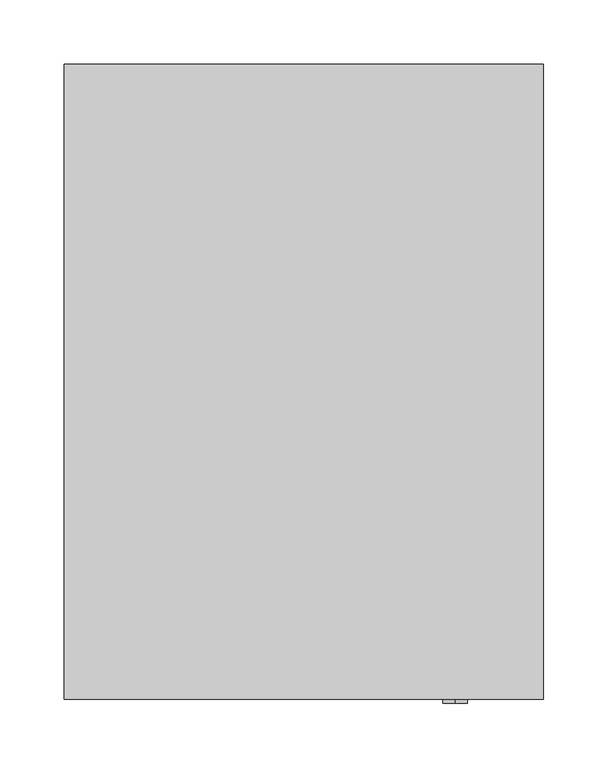
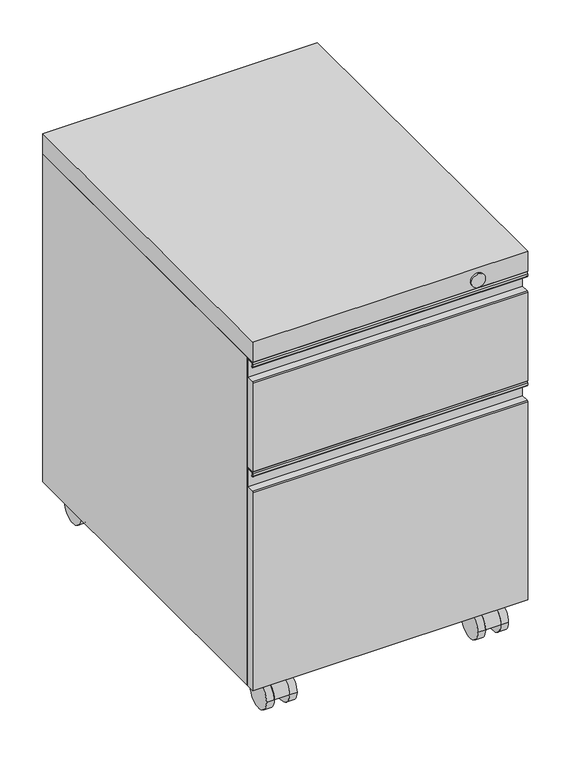
"""IFC4 building model written with IfcOpenShell, lengths in millimetres: furniture geometry."""

from ifc_helpers import new_model, si_unit, point, frame, frame_2d, origin, place, context, project, spatial, polyline, circle_curve, trimmed, segment, composite_curve, outline, extrude, source, transform, mapped, element, save
from ifc_brep_helpers import plane_surface, cylinder_surface, advanced_brep


def furniture_11472d89(model_context):
    return source(origin(), model_context, "Body", "SolidModel", [
        extrude(outline(composite_curve([segment(trimmed(circle_curve(frame_2d((-220.6625363, 19.05)), 19.05), [point((-239.7125363, 19.05))], [point((-201.6125363, 19.05))], False, "CARTESIAN"), True, "CONTINUOUS"), segment(polyline([(-201.6125363, 19.05), (-239.7125363, 19.05)]), True, "CONTINUOUS")], self_intersect=False)), frame((132.5562508, 0.0, 0.0), z_axis=(1.0, 0.0, 0.0), x_axis=(0.0, 1.0, 0.0)), (0.0, 0.0, 1.0), 20.6375008),
        extrude(outline(composite_curve([segment(trimmed(circle_curve(frame_2d((142.875, -207.9625303)), 10.3187561), [point((132.5562439, -207.9625303))], [point((153.1937561, -207.9625303))], False, "CARTESIAN"), True, "CONTINUOUS"), segment(trimmed(circle_curve(frame_2d((142.875, -207.9625303)), 10.3187561), [point((153.1937561, -207.9625303))], [point((132.5562439, -207.9625303))], False, "CARTESIAN"), True, "CONTINUOUS")], self_intersect=False)), frame((0.0, 0.0, 19.05), z_axis=(0.0, 0.0, 1.0), x_axis=(1.0, 0.0, 0.0)), (0.0, 0.0, 1.0), 28.575),
        extrude(outline(composite_curve([segment(trimmed(circle_curve(frame_2d((-220.6625363, 19.05)), 19.05), [point((-201.6125363, 19.05))], [point((-239.7125363, 19.05))], False, "CARTESIAN"), True, "CONTINUOUS"), segment(trimmed(circle_curve(frame_2d((-220.6625363, 19.05)), 19.05), [point((-239.7125363, 19.05))], [point((-201.6125363, 19.05))], False, "CARTESIAN"), True, "CONTINUOUS")], self_intersect=False)), frame((153.1937515, 0.0, 0.0), z_axis=(1.0, 0.0, 0.0), x_axis=(0.0, 1.0, 0.0)), (0.0, 0.0, 1.0), 10.318747),
        extrude(outline(composite_curve([segment(trimmed(circle_curve(frame_2d((-220.6625363, 19.05)), 19.05), [point((-201.6125363, 19.05))], [point((-239.7125363, 19.05))], False, "CARTESIAN"), True, "CONTINUOUS"), segment(trimmed(circle_curve(frame_2d((-220.6625363, 19.05)), 19.05), [point((-239.7125363, 19.05))], [point((-201.6125363, 19.05))], False, "CARTESIAN"), True, "CONTINUOUS")], self_intersect=False)), frame((122.2375, 0.0, 0.0), z_axis=(1.0, 0.0, 0.0), x_axis=(0.0, 1.0, 0.0)), (0.0, 0.0, 1.0), 10.3187508),
        extrude(outline(composite_curve([segment(trimmed(circle_curve(frame_2d((-220.6625363, 19.05)), 19.05), [point((-239.7125363, 19.05))], [point((-201.6125363, 19.05))], False, "CARTESIAN"), True, "CONTINUOUS"), segment(polyline([(-201.6125363, 19.05), (-239.7125363, 19.05)]), True, "CONTINUOUS")], self_intersect=False)), frame((-153.1937492, 0.0, 0.0), z_axis=(1.0, 0.0, 0.0), x_axis=(0.0, 1.0, 0.0)), (0.0, 0.0, 1.0), 20.6375008),
        extrude(outline(composite_curve([segment(trimmed(circle_curve(frame_2d((-142.875, -207.9625303)), 10.3187561), [point((-153.1937561, -207.9625303))], [point((-132.5562439, -207.9625303))], False, "CARTESIAN"), True, "CONTINUOUS"), segment(trimmed(circle_curve(frame_2d((-142.875, -207.9625303)), 10.3187561), [point((-132.5562439, -207.9625303))], [point((-153.1937561, -207.9625303))], False, "CARTESIAN"), True, "CONTINUOUS")], self_intersect=False)), frame((0.0, 0.0, 19.05), z_axis=(0.0, 0.0, 1.0), x_axis=(1.0, 0.0, 0.0)), (0.0, 0.0, 1.0), 28.575),
        extrude(outline(composite_curve([segment(trimmed(circle_curve(frame_2d((-220.6625363, 19.05)), 19.05), [point((-201.6125363, 19.05))], [point((-239.7125363, 19.05))], False, "CARTESIAN"), True, "CONTINUOUS"), segment(trimmed(circle_curve(frame_2d((-220.6625363, 19.05)), 19.05), [point((-239.7125363, 19.05))], [point((-201.6125363, 19.05))], False, "CARTESIAN"), True, "CONTINUOUS")], self_intersect=False)), frame((-132.5562485, 0.0, 0.0), z_axis=(1.0, 0.0, 0.0), x_axis=(0.0, 1.0, 0.0)), (0.0, 0.0, 1.0), 10.318747),
        extrude(outline(composite_curve([segment(trimmed(circle_curve(frame_2d((-220.6625363, 19.05)), 19.05), [point((-201.6125363, 19.05))], [point((-239.7125363, 19.05))], False, "CARTESIAN"), True, "CONTINUOUS"), segment(trimmed(circle_curve(frame_2d((-220.6625363, 19.05)), 19.05), [point((-239.7125363, 19.05))], [point((-201.6125363, 19.05))], False, "CARTESIAN"), True, "CONTINUOUS")], self_intersect=False)), frame((-163.5125, 0.0, 0.0), z_axis=(1.0, 0.0, 0.0), x_axis=(0.0, 1.0, 0.0)), (0.0, 0.0, 1.0), 10.3187508),
        extrude(outline(composite_curve([segment(trimmed(circle_curve(frame_2d((214.3124758, 19.05)), 19.05), [point((195.2624758, 19.05))], [point((233.3624758, 19.05))], False, "CARTESIAN"), True, "CONTINUOUS"), segment(polyline([(233.3624758, 19.05), (195.2624758, 19.05)]), True, "CONTINUOUS")], self_intersect=False)), frame((132.5562508, 0.0, 0.0), z_axis=(1.0, 0.0, 0.0), x_axis=(0.0, 1.0, 0.0)), (0.0, 0.0, 1.0), 20.6375008),
        extrude(outline(composite_curve([segment(trimmed(circle_curve(frame_2d((142.875, 227.0124818)), 10.3187561), [point((132.5562439, 227.0124818))], [point((153.1937561, 227.0124818))], False, "CARTESIAN"), True, "CONTINUOUS"), segment(trimmed(circle_curve(frame_2d((142.875, 227.0124818)), 10.3187561), [point((153.1937561, 227.0124818))], [point((132.5562439, 227.0124818))], False, "CARTESIAN"), True, "CONTINUOUS")], self_intersect=False)), frame((0.0, 0.0, 19.05), z_axis=(0.0, 0.0, 1.0), x_axis=(1.0, 0.0, 0.0)), (0.0, 0.0, 1.0), 28.575),
        extrude(outline(composite_curve([segment(trimmed(circle_curve(frame_2d((214.3124758, 19.05)), 19.05), [point((233.3624758, 19.05))], [point((195.2624758, 19.05))], False, "CARTESIAN"), True, "CONTINUOUS"), segment(trimmed(circle_curve(frame_2d((214.3124758, 19.05)), 19.05), [point((195.2624758, 19.05))], [point((233.3624758, 19.05))], False, "CARTESIAN"), True, "CONTINUOUS")], self_intersect=False)), frame((153.1937515, 0.0, 0.0), z_axis=(1.0, 0.0, 0.0), x_axis=(0.0, 1.0, 0.0)), (0.0, 0.0, 1.0), 10.318747),
        extrude(outline(composite_curve([segment(trimmed(circle_curve(frame_2d((214.3124758, 19.05)), 19.05), [point((233.3624758, 19.05))], [point((195.2624758, 19.05))], False, "CARTESIAN"), True, "CONTINUOUS"), segment(trimmed(circle_curve(frame_2d((214.3124758, 19.05)), 19.05), [point((195.2624758, 19.05))], [point((233.3624758, 19.05))], False, "CARTESIAN"), True, "CONTINUOUS")], self_intersect=False)), frame((122.2375, 0.0, 0.0), z_axis=(1.0, 0.0, 0.0), x_axis=(0.0, 1.0, 0.0)), (0.0, 0.0, 1.0), 10.3187508),
        extrude(outline(composite_curve([segment(trimmed(circle_curve(frame_2d((214.3124758, 19.05)), 19.05), [point((195.2624758, 19.05))], [point((233.3624758, 19.05))], False, "CARTESIAN"), True, "CONTINUOUS"), segment(polyline([(233.3624758, 19.05), (195.2624758, 19.05)]), True, "CONTINUOUS")], self_intersect=False)), frame((-153.1937492, 0.0, 0.0), z_axis=(1.0, 0.0, 0.0), x_axis=(0.0, 1.0, 0.0)), (0.0, 0.0, 1.0), 20.6375008),
        extrude(outline(composite_curve([segment(trimmed(circle_curve(frame_2d((-142.875, 227.0124818)), 10.3187561), [point((-153.1937561, 227.0124818))], [point((-132.5562439, 227.0124818))], False, "CARTESIAN"), True, "CONTINUOUS"), segment(trimmed(circle_curve(frame_2d((-142.875, 227.0124818)), 10.3187561), [point((-132.5562439, 227.0124818))], [point((-153.1937561, 227.0124818))], False, "CARTESIAN"), True, "CONTINUOUS")], self_intersect=False)), frame((0.0, 0.0, 19.05), z_axis=(0.0, 0.0, 1.0), x_axis=(1.0, 0.0, 0.0)), (0.0, 0.0, 1.0), 28.575),
        extrude(outline(composite_curve([segment(trimmed(circle_curve(frame_2d((214.3124758, 19.05)), 19.05), [point((233.3624758, 19.05))], [point((195.2624758, 19.05))], False, "CARTESIAN"), True, "CONTINUOUS"), segment(trimmed(circle_curve(frame_2d((214.3124758, 19.05)), 19.05), [point((195.2624758, 19.05))], [point((233.3624758, 19.05))], False, "CARTESIAN"), True, "CONTINUOUS")], self_intersect=False)), frame((-132.5562485, 0.0, 0.0), z_axis=(1.0, 0.0, 0.0), x_axis=(0.0, 1.0, 0.0)), (0.0, 0.0, 1.0), 10.318747),
        extrude(outline(composite_curve([segment(trimmed(circle_curve(frame_2d((214.3124758, 19.05)), 19.05), [point((233.3624758, 19.05))], [point((195.2624758, 19.05))], False, "CARTESIAN"), True, "CONTINUOUS"), segment(trimmed(circle_curve(frame_2d((214.3124758, 19.05)), 19.05), [point((195.2624758, 19.05))], [point((233.3624758, 19.05))], False, "CARTESIAN"), True, "CONTINUOUS")], self_intersect=False)), frame((-163.5125, 0.0, 0.0), z_axis=(1.0, 0.0, 0.0), x_axis=(0.0, 1.0, 0.0)), (0.0, 0.0, 1.0), 10.3187508),
        advanced_brep(
        [(185.7375, -233.3633492, 357.223449), (185.7375, -234.9149123, 358.7750121), (185.7375, -244.2958964, 358.7750121), (185.7375, -245.8467471, 357.2241614), (185.7375, -245.8467471, 353.618431), (185.7375, -243.4675887, 353.7540089), (185.7375, -245.085238, 353.6619142), (185.7375, -245.0854413, 357.2251795), (185.7375, -244.298062, 358.0126314), (185.7375, -234.9127337, 358.0126314), (185.7375, -234.1244845, 357.2224179), (185.7375, -234.1244845, 331.8946895), (185.7375, -244.8905675, 331.8946895), (185.7375, -246.0625, 330.7671367), (185.7375, -246.0625, 47.625), (185.7375, -233.3624516, 47.625), (-185.7375, -233.3624516, 357.2236663), (-185.7375, -233.3624516, 47.625), (-185.7375, -246.0625, 47.625), (-185.7375, -246.0625, 330.7671367), (-185.7375, -244.8905675, 331.8946895), (-185.7375, -234.1244845, 331.8946895), (-185.7375, -234.1244845, 357.2224179), (-185.7375, -234.9127337, 358.0126314), (-185.7375, -244.298062, 358.0126314), (-185.7375, -245.0854413, 357.2251795), (-185.7375, -245.085238, 353.6619142), (-185.7375, -243.4675887, 353.7540089), (-185.7375, -245.8467471, 353.618431), (-185.7375, -245.8467471, 357.2241614), (-185.7375, -244.2958964, 358.7750121), (-185.7375, -234.9149123, 358.7750121)],
        [
            (0, 1, circle_curve(frame((185.7375, -234.9149123, 357.223449), z_axis=(1.0, 0.0, 0.0), x_axis=(0.0, 1.0, 0.0)), 1.5515631)),
            (1, 2),
            (2, 3, circle_curve(frame((185.7375, -244.2958964, 357.2241614), z_axis=(1.0, 0.0, 0.0), x_axis=(0.0, 1.0, 0.0)), 1.5508507)),
            (3, 4),
            (4, 5, circle_curve(frame((185.7375, -244.6533049, 353.618431), z_axis=(1.0, 0.0, 0.0), x_axis=(0.0, 1.0, 0.0)), 1.1934422)),
            (5, 6),
            (6, 7),
            (7, 8),
            (8, 9),
            (9, 10),
            (10, 11),
            (11, 12),
            (12, 13, circle_curve(frame((185.7375, -244.8905675, 330.7218837), z_axis=(1.0, 0.0, 0.0), x_axis=(0.0, 1.0, 0.0)), 1.1728058)),
            (13, 14),
            (14, 15),
            (15, 0),
            (16, 17),
            (17, 18),
            (18, 19),
            (19, 20, circle_curve(frame((-185.7375, -244.8905675, 330.7218837), z_axis=(-1.0, 0.0, 0.0), x_axis=(0.0, 1.0, 0.0)), 1.1728058)),
            (20, 21),
            (21, 22),
            (22, 23),
            (23, 24),
            (24, 25),
            (25, 26),
            (26, 27),
            (27, 28, circle_curve(frame((-185.7375, -244.6533049, 353.618431), z_axis=(-1.0, 0.0, 0.0), x_axis=(0.0, 1.0, 0.0)), 1.1934422)),
            (28, 29),
            (29, 30, circle_curve(frame((-185.7375, -244.2958964, 357.2241614), z_axis=(-1.0, 0.0, 0.0), x_axis=(0.0, 1.0, 0.0)), 1.5508507)),
            (30, 31),
            (31, 16, circle_curve(frame((-185.7375, -234.9149123, 357.223449), z_axis=(-1.0, 0.0, 0.0), x_axis=(0.0, 1.0, 0.0)), 1.5515631)),
            (0, 16),
            (31, 1),
            (30, 2),
            (29, 3),
            (28, 4),
            (27, 5),
            (26, 6),
            (25, 7),
            (24, 8),
            (23, 9),
            (22, 10),
            (21, 11),
            (20, 12),
            (19, 13),
            (18, 14),
            (17, 15),
        ],
        [
            plane_surface(frame((185.7375, -233.3633492, 357.223449), z_axis=(1.0, 0.0, 0.0), x_axis=(0.0, 0.0, 1.0))),
            plane_surface(frame((-185.7375, -233.3633492, 357.223449), z_axis=(-1.0, 0.0, 0.0), x_axis=(0.0, 0.0, -1.0))),
            cylinder_surface(frame((-185.7375, -234.9149123, 357.223449), z_axis=(1.0, 0.0, 0.0), x_axis=(0.0, 1.0, 0.0)), 1.5515631),
            plane_surface(frame((185.7375, -234.9149123, 358.7750121), z_axis=(0.0, 0.0, 1.0), x_axis=(-1.0, 0.0, 0.0))),
            cylinder_surface(frame((-185.7375, -244.2958964, 357.2241614), z_axis=(1.0, 0.0, 0.0), x_axis=(0.0, 1.0, 0.0)), 1.5508507),
            plane_surface(frame((185.7375, -245.8467471, 357.2241614), z_axis=(0.0, -1.0, 0.0), x_axis=(-1.0, 0.0, 0.0))),
            cylinder_surface(frame((-185.7375, -244.6533049, 353.618431), z_axis=(1.0, 0.0, 0.0), x_axis=(0.0, 1.0, 0.0)), 1.1934422),
            plane_surface(frame((185.7375, -243.4675887, 353.7540089), z_axis=(0.0, -0.05683911841533383, 0.9983833505311313), x_axis=(-1.0, 0.0, 0.0))),
            plane_surface(frame((185.7375, -245.085238, 353.6619142), z_axis=(0.0, 0.9999999983729901, 5.704401745882552e-05), x_axis=(-1.0, 0.0, 0.0))),
            plane_surface(frame((185.7375, -245.0854413, 357.2251795), z_axis=(0.0, 0.7071394096055021, -0.7070741512619323), x_axis=(-1.0, 0.0, 0.0))),
            plane_surface(frame((185.7375, -244.298062, 358.0126314), z_axis=(0.0, 0.0, -1.0), x_axis=(-1.0, 0.0, 0.0))),
            plane_surface(frame((185.7375, -234.9127337, 358.0126314), z_axis=(0.0, -0.7079861649374493, -0.7062263024393547), x_axis=(-1.0, 0.0, 0.0))),
            plane_surface(frame((185.7375, -234.1244845, 357.2224179), z_axis=(0.0, -1.0, 0.0), x_axis=(-1.0, 0.0, 0.0))),
            plane_surface(frame((185.7375, -234.1244845, 331.8946895), z_axis=(0.0, 0.0, 1.0), x_axis=(-1.0, 0.0, 0.0))),
            cylinder_surface(frame((-185.7375, -244.8905675, 330.7218837), z_axis=(1.0, 0.0, 0.0), x_axis=(0.0, 1.0, 0.0)), 1.1728058),
            plane_surface(frame((185.7375, -246.0625, 330.7671367), z_axis=(0.0, -1.0, 0.0), x_axis=(-1.0, 0.0, 0.0))),
            plane_surface(frame((185.7375, -246.0625, 47.625), z_axis=(0.0, 0.0, -1.0), x_axis=(-1.0, 0.0, 0.0))),
            plane_surface(frame((185.7375, -233.3624516, 47.625), z_axis=(0.0, 1.0, 0.0), x_axis=(-1.0, 0.0, 0.0))),
        ],
        [
            (0, [[1, 2, 3, 4, 5, 6, 7, 8, 9, 10, 11, 12, 13, 14, 15, 16]]),
            (1, [[17, 18, 19, 20, 21, 22, 23, 24, 25, 26, 27, 28, 29, 30, 31, 32]]),
            (2, [[-1, 33, -32, 34]]),
            (3, [[-2, -34, -31, 35]]),
            (4, [[-3, -35, -30, 36]]),
            (5, [[-4, -36, -29, 37]]),
            (6, [[-5, -37, -28, 38]]),
            (7, [[-6, -38, -27, 39]]),
            (8, [[-7, -39, -26, 40]]),
            (9, [[-8, -40, -25, 41]]),
            (10, [[-9, -41, -24, 42]]),
            (11, [[-10, -42, -23, 43]]),
            (12, [[-11, -43, -22, 44]]),
            (13, [[-12, -44, -21, 45]]),
            (14, [[-13, -45, -20, 46]]),
            (15, [[-14, -46, -19, 47]]),
            (16, [[-15, -47, -18, 48]]),
            (17, [[-16, -48, -17, -33]]),
        ],
    ),
        advanced_brep(
        [(185.7375, -233.3633492, 513.5921748), (185.7375, -234.9149123, 515.1437379), (185.7375, -244.2958964, 515.1437379), (185.7375, -245.8467471, 513.5928872), (185.7375, -245.8467471, 509.9871681), (185.7375, -243.4675887, 510.122746), (185.7375, -245.085238, 510.0306514), (185.7375, -245.0854413, 513.5939166), (185.7375, -244.298062, 514.3813686), (185.7375, -234.9127337, 514.3813686), (185.7375, -234.1244845, 513.5911551), (185.7375, -234.1244845, 488.2634266), (185.7375, -244.8905675, 488.2634266), (185.7375, -246.0625, 487.1358739), (185.7375, -246.0625, 360.3624992), (185.7375, -233.3624516, 360.3624992), (-185.7375, -233.3624516, 513.5924035), (-185.7375, -233.3624516, 360.3624992), (-185.7375, -246.0625, 360.3624992), (-185.7375, -246.0625, 487.1358739), (-185.7375, -244.8905675, 488.2634266), (-185.7375, -234.1244845, 488.2634266), (-185.7375, -234.1244845, 513.5911551), (-185.7375, -234.9127337, 514.3813686), (-185.7375, -244.298062, 514.3813686), (-185.7375, -245.0854413, 513.5939166), (-185.7375, -245.085238, 510.0306514), (-185.7375, -243.4675887, 510.122746), (-185.7375, -245.8467471, 509.9871681), (-185.7375, -245.8467471, 513.5928872), (-185.7375, -244.2958964, 515.1437379), (-185.7375, -234.9149123, 515.1437379)],
        [
            (0, 1, circle_curve(frame((185.7375, -234.9149123, 513.5921748), z_axis=(1.0, 0.0, 0.0), x_axis=(0.0, 1.0, 0.0)), 1.5515631)),
            (1, 2),
            (2, 3, circle_curve(frame((185.7375, -244.2958964, 513.5928872), z_axis=(1.0, 0.0, 0.0), x_axis=(0.0, 1.0, 0.0)), 1.5508507)),
            (3, 4),
            (4, 5, circle_curve(frame((185.7375, -244.6533049, 509.9871681), z_axis=(1.0, 0.0, 0.0), x_axis=(0.0, 1.0, 0.0)), 1.1934422)),
            (5, 6),
            (6, 7),
            (7, 8),
            (8, 9),
            (9, 10),
            (10, 11),
            (11, 12),
            (12, 13, circle_curve(frame((185.7375, -244.8905675, 487.0906208), z_axis=(1.0, 0.0, 0.0), x_axis=(0.0, 1.0, 0.0)), 1.1728058)),
            (13, 14),
            (14, 15),
            (15, 0),
            (16, 17),
            (17, 18),
            (18, 19),
            (19, 20, circle_curve(frame((-185.7375, -244.8905675, 487.0906208), z_axis=(-1.0, 0.0, 0.0), x_axis=(0.0, 1.0, 0.0)), 1.1728058)),
            (20, 21),
            (21, 22),
            (22, 23),
            (23, 24),
            (24, 25),
            (25, 26),
            (26, 27),
            (27, 28, circle_curve(frame((-185.7375, -244.6533049, 509.9871681), z_axis=(-1.0, 0.0, 0.0), x_axis=(0.0, 1.0, 0.0)), 1.1934422)),
            (28, 29),
            (29, 30, circle_curve(frame((-185.7375, -244.2958964, 513.5928872), z_axis=(-1.0, 0.0, 0.0), x_axis=(0.0, 1.0, 0.0)), 1.5508507)),
            (30, 31),
            (31, 16, circle_curve(frame((-185.7375, -234.9149123, 513.5921748), z_axis=(-1.0, 0.0, 0.0), x_axis=(0.0, 1.0, 0.0)), 1.5515631)),
            (0, 16),
            (31, 1),
            (30, 2),
            (29, 3),
            (28, 4),
            (27, 5),
            (26, 6),
            (25, 7),
            (24, 8),
            (23, 9),
            (22, 10),
            (21, 11),
            (20, 12),
            (19, 13),
            (18, 14),
            (17, 15),
        ],
        [
            plane_surface(frame((185.7375, -233.3633492, 513.5921748), z_axis=(1.0, 0.0, 0.0), x_axis=(0.0, 0.0, 1.0))),
            plane_surface(frame((-185.7375, -233.3633492, 513.5921748), z_axis=(-1.0, 0.0, 0.0), x_axis=(0.0, 0.0, -1.0))),
            cylinder_surface(frame((-185.7375, -234.9149123, 513.5921748), z_axis=(1.0, 0.0, 0.0), x_axis=(0.0, 1.0, 0.0)), 1.5515631),
            plane_surface(frame((185.7375, -234.9149123, 515.1437379), z_axis=(0.0, 0.0, 1.0), x_axis=(-1.0, 0.0, 0.0))),
            cylinder_surface(frame((-185.7375, -244.2958964, 513.5928872), z_axis=(1.0, 0.0, 0.0), x_axis=(0.0, 1.0, 0.0)), 1.5508507),
            plane_surface(frame((185.7375, -245.8467471, 513.5928872), z_axis=(0.0, -1.0, 0.0), x_axis=(-1.0, 0.0, 0.0))),
            cylinder_surface(frame((-185.7375, -244.6533049, 509.9871681), z_axis=(1.0, 0.0, 0.0), x_axis=(0.0, 1.0, 0.0)), 1.1934422),
            plane_surface(frame((185.7375, -243.4675887, 510.122746), z_axis=(0.0, -0.05683911841533383, 0.9983833505311313), x_axis=(-1.0, 0.0, 0.0))),
            plane_surface(frame((185.7375, -245.085238, 510.0306514), z_axis=(0.0, 0.9999999983729901, 5.704401745882552e-05), x_axis=(-1.0, 0.0, 0.0))),
            plane_surface(frame((185.7375, -245.0854413, 513.5939166), z_axis=(0.0, 0.7071394096054413, -0.707074151261993), x_axis=(-1.0, 0.0, 0.0))),
            plane_surface(frame((185.7375, -244.298062, 514.3813686), z_axis=(0.0, 0.0, -1.0), x_axis=(-1.0, 0.0, 0.0))),
            plane_surface(frame((185.7375, -234.9127337, 514.3813686), z_axis=(0.0, -0.7079861649373888, -0.7062263024394153), x_axis=(-1.0, 0.0, 0.0))),
            plane_surface(frame((185.7375, -234.1244845, 513.5911551), z_axis=(0.0, -1.0, 0.0), x_axis=(-1.0, 0.0, 0.0))),
            plane_surface(frame((185.7375, -234.1244845, 488.2634266), z_axis=(0.0, 0.0, 1.0), x_axis=(-1.0, 0.0, 0.0))),
            cylinder_surface(frame((-185.7375, -244.8905675, 487.0906208), z_axis=(1.0, 0.0, 0.0), x_axis=(0.0, 1.0, 0.0)), 1.1728058),
            plane_surface(frame((185.7375, -246.0625, 487.1358739), z_axis=(0.0, -1.0, 0.0), x_axis=(-1.0, 0.0, 0.0))),
            plane_surface(frame((185.7375, -246.0625, 360.3624992), z_axis=(0.0, 0.0, -1.0), x_axis=(-1.0, 0.0, 0.0))),
            plane_surface(frame((185.7375, -233.3624516, 360.3624992), z_axis=(0.0, 1.0, 0.0), x_axis=(-1.0, 0.0, 0.0))),
        ],
        [
            (0, [[1, 2, 3, 4, 5, 6, 7, 8, 9, 10, 11, 12, 13, 14, 15, 16]]),
            (1, [[17, 18, 19, 20, 21, 22, 23, 24, 25, 26, 27, 28, 29, 30, 31, 32]]),
            (2, [[-1, 33, -32, 34]]),
            (3, [[-2, -34, -31, 35]]),
            (4, [[-3, -35, -30, 36]]),
            (5, [[-4, -36, -29, 37]]),
            (6, [[-5, -37, -28, 38]]),
            (7, [[-6, -38, -27, 39]]),
            (8, [[-7, -39, -26, 40]]),
            (9, [[-8, -40, -25, 41]]),
            (10, [[-9, -41, -24, 42]]),
            (11, [[-10, -42, -23, 43]]),
            (12, [[-11, -43, -22, 44]]),
            (13, [[-12, -44, -21, 45]]),
            (14, [[-13, -45, -20, 46]]),
            (15, [[-14, -46, -19, 47]]),
            (16, [[-15, -47, -18, 48]]),
            (17, [[-16, -48, -17, -33]]),
        ],
    ),
        extrude(outline(polyline([(185.7375, 246.0625), (185.7375, -246.0625), (-185.7375, -246.0625), (-185.7375, 246.0625), (185.7375, 246.0625)])), frame((0.0, 0.0, 516.7376), z_axis=(0.0, 0.0, 1.0), x_axis=(1.0, 0.0, 0.0)), (0.0, 0.0, 1.0), 28.575),
        extrude(outline(polyline([(185.7375, 246.0625), (185.7375, -233.3624516), (-185.7375, -233.3624516), (-185.7375, 246.0625), (185.7375, 246.0625)])), frame((0.0, 0.0, 47.625), z_axis=(0.0, 0.0, 1.0), x_axis=(1.0, 0.0, 0.0)), (0.0, 0.0, 1.0), 469.1126),
        extrude(outline(composite_curve([segment(trimmed(circle_curve(frame_2d((529.4376, 117.4750242)), 9.525), [point((519.9126, 117.4750242))], [point((538.9626, 117.4750242))], False, "CARTESIAN"), True, "CONTINUOUS"), segment(trimmed(circle_curve(frame_2d((529.4376, 117.4750242)), 9.525), [point((538.9626, 117.4750242))], [point((519.9126, 117.4750242))], False, "CARTESIAN"), True, "CONTINUOUS")], self_intersect=False)), frame((0.0, -249.2374879, 0.0), z_axis=(0.0, 1.0, 0.0), x_axis=(0.0, 0.0, 1.0)), (0.0, 0.0, 1.0), 3.1749879),
    ])


if __name__ == "__main__":
    model = new_model("IFC4")
    model_context = context("Model", 3, world=origin())
    ifc_project = project(units=[si_unit("LENGTHUNIT", "METRE", prefix="MILLI")], contexts=[model_context])
    site = spatial("IfcSite", under=ifc_project)
    building = spatial("IfcBuilding", under=site)
    placement = place(None, origin())
    furniture_shape = furniture_11472d89(model_context)
    element("IfcFurniture", 1, at=placement, inside=building, context=model_context, shape_type="MappedRepresentation", body=[
        mapped(furniture_shape, transform((0.0, 0.0, 0.0), x_axis=(1.0, 0.0, 0.0), y_axis=(0.0, 1.0, 0.0), z_axis=(0.0, 0.0, 1.0))),
    ])
    save(model, "model.ifc")
